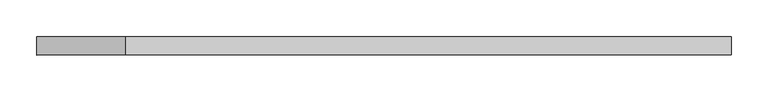
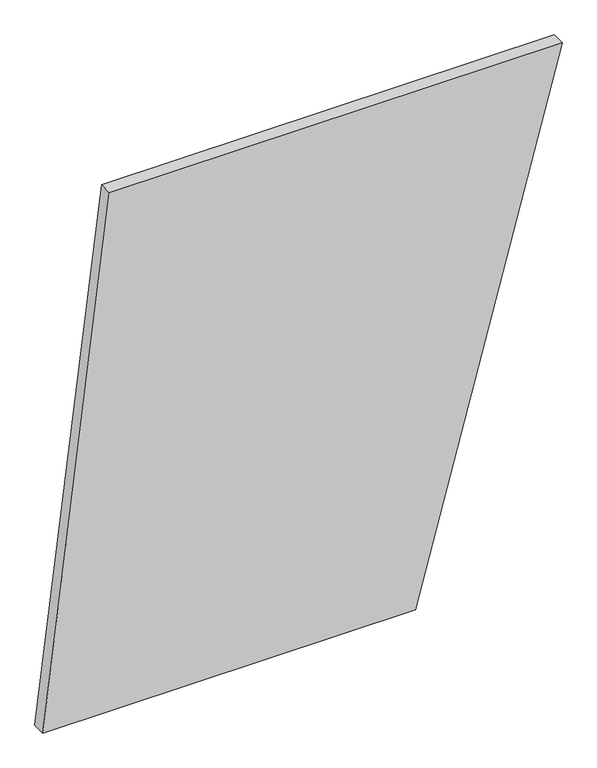
"""IFC4 building model written with IfcOpenShell, lengths in millimetres: plate geometry."""

from ifc_helpers import new_model, si_unit, frame, origin, place, context, project, spatial, polyline, outline, extrude, source, transform, mapped, element, save


def plate_8801de35(model_context):
    return source(origin(), model_context, "Body", "SweptSolid", [
        extrude(outline(polyline([(0.0, -474.3735047), (0.0, 206.4243122), (1000.0, 474.3735047), (1000.0, -352.6615715), (0.0, -474.3735047)])), frame((0.0, 24.5, 0.0), z_axis=(0.0, 1.0, 0.0), x_axis=(0.0, 0.0, 1.0)), (0.0, 0.0, 1.0), 25.0),
    ])


if __name__ == "__main__":
    model = new_model("IFC4")
    model_context = context("Model", 3, world=origin())
    ifc_project = project(units=[si_unit("LENGTHUNIT", "METRE", prefix="MILLI")], contexts=[model_context])
    site = spatial("IfcSite", under=ifc_project)
    building = spatial("IfcBuilding", under=site)
    placement = place(None, origin())
    plate_shape = plate_8801de35(model_context)
    element("IfcPlate", 1, at=placement, inside=building, context=model_context, shape_type="MappedRepresentation", body=[
        mapped(plate_shape, transform((0.0, 0.0, 0.0), x_axis=(1.0, 0.0, 0.0), y_axis=(0.0, 1.0, 0.0), z_axis=(0.0, 0.0, 1.0))),
    ])
    save(model, "model.ifc")
